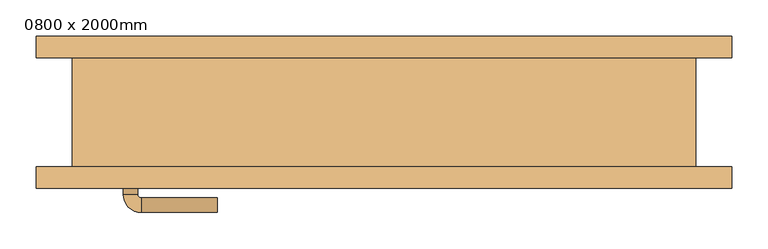
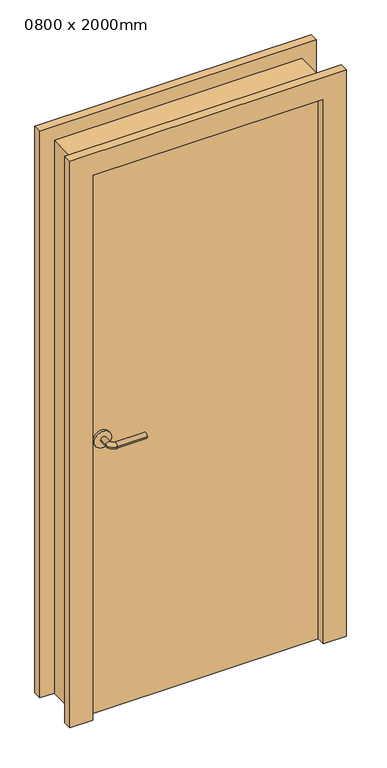
"""IFC4 building model written with IfcOpenShell, lengths in millimetres: door geometry, 0800 x 2000mm."""

from ifc_helpers import new_model, si_unit, point, frame, frame_2d, origin, origin_with_axes, place, context, project, spatial, polyline, circle_curve, ellipse_curve, trimmed, segment, composite_curve, outline, extrude, faceted_brep, source, transform, mapped, element, save
from ifc_brep_helpers import plane_surface, cylinder_surface, revolved_surface, advanced_brep


def door_0800_x_2000mm_4f2fbd44(model_context):
    return source(origin(), model_context, "Body", "SolidModel", [
        advanced_brep(
        [(-360.0, -47.0, 1000.0), (-340.0, -47.0, 1000.0), (-360.0, -17.0, 1000.0), (-340.0, -17.0, 1000.0), (-335.0, -12.0, 1000.0), (-335.0, 8.0, 1000.0), (-230.0, 8.0, 1000.0), (-230.0, -12.0, 1000.0)],
        [
            (0, 1, circle_curve(frame((-350.0, -47.0, 1000.0), z_axis=(0.0, -1.0, 0.0), x_axis=(0.9999999999999986, 0.0, 0.0)), 10.0)),
            (1, 0, circle_curve(frame((-350.0, -47.0, 1000.0), z_axis=(0.0, -1.0, 0.0), x_axis=(0.9999999999999986, 0.0, 0.0)), 10.0)),
            (0, 2),
            (2, 3, circle_curve(frame((-350.0, -17.0, 1000.0), z_axis=(0.0, -1.0, 0.0), x_axis=(0.9999999999999986, 0.0, 0.0)), 10.0)),
            (3, 1),
            (3, 2, circle_curve(frame((-350.0, -17.0, 1000.0), z_axis=(0.0, -1.0, 0.0), x_axis=(0.9999999999999986, 0.0, 0.0)), 10.0)),
            (4, 3, circle_curve(frame((-335.0, -17.0, 1000.0), z_axis=(0.0, 0.0, 1.0), x_axis=(-0.9999999999999986, 0.0, 0.0)), 5.0)),
            (2, 5, circle_curve(frame((-335.0, -17.0, 1000.0), z_axis=(0.0, 0.0, -1.0), x_axis=(-0.9999999999999986, 0.0, 0.0)), 25.0)),
            (5, 4, circle_curve(frame((-335.0, -2.0, 1000.0), z_axis=(-0.9999999999999986, 0.0, 0.0), x_axis=(0.0, -0.9999999999999986, 0.0)), 10.0)),
            (4, 5, circle_curve(frame((-335.0, -2.0, 1000.0), z_axis=(-0.9999999999999986, 0.0, 0.0), x_axis=(0.0, -0.9999999999999986, 0.0)), 10.0)),
            (6, 7, circle_curve(frame((-230.0, -2.0, 1000.0), z_axis=(1.0, 0.0, 0.0), x_axis=(0.0, -0.9999999999999986, 0.0)), 10.0)),
            (7, 6, circle_curve(frame((-230.0, -2.0, 1000.0), z_axis=(1.0, 0.0, 0.0), x_axis=(0.0, -0.9999999999999986, 0.0)), 10.0)),
            (5, 6),
            (7, 4),
        ],
        [
            plane_surface(frame((-350.0, -47.0, 1000.0), z_axis=(0.0, -1.0, 0.0), x_axis=(0.0, 0.0, 1.0))),
            cylinder_surface(frame((-350.0, -47.0, 1000.0), z_axis=(0.0, -0.9999999999999986, 0.0), x_axis=(0.9999999999999986, 0.0, 0.0)), 10.0),
            revolved_surface(trimmed(ellipse_curve(frame((-350.0, -17.0, 1000.0), z_axis=(0.0, -0.9999999999999986, 0.0), x_axis=(0.9999999999999986, 0.0, 0.0)), 10.0, 10.0), [point((-360.0, -17.0, 1000.0))], [point((-340.0, -17.0, 1000.0))], True, "CARTESIAN"), (-335.0, -17.0, 1000.0), (0.0, 0.0, -1.0)),
            revolved_surface(trimmed(ellipse_curve(frame((-350.0, -17.0, 1000.0), z_axis=(0.0, -0.9999999999999986, 0.0), x_axis=(0.9999999999999986, 0.0, 0.0)), 10.0, 10.0), [point((-340.0, -17.0, 1000.0))], [point((-360.0, -17.0, 1000.0))], True, "CARTESIAN"), (-335.0, -17.0, 1000.0), (0.0, 0.0, -1.0)),
            plane_surface(frame((-230.0, -2.0, 1000.0), z_axis=(1.0, 0.0, 0.0), x_axis=(0.0, 0.0, 1.0))),
            cylinder_surface(frame((-335.0, -2.0, 1000.0), z_axis=(-0.9999999999999986, 0.0, 0.0), x_axis=(0.0, -0.9999999999999986, 0.0)), 10.0),
        ],
        [
            (0, [[1, 2]]),
            (1, [[-1, 3, 4, 5]]),
            (1, [[-2, -5, 6, -3]]),
            (2, [[7, -4, 8, 9]]),
            (3, [[-8, -6, -7, 10]]),
            (4, [[11, 12]]),
            (5, [[-9, 13, -12, 14]]),
            (5, [[-10, -14, -11, -13]]),
        ],
    ),
        extrude(outline(composite_curve([segment(trimmed(circle_curve(frame_2d((1000.0, -352.5)), 30.0), [point((1000.0, -382.5))], [point((1000.0, -322.5))], False, "CARTESIAN"), True, "CONTINUOUS"), segment(trimmed(circle_curve(frame_2d((1000.0, -352.5)), 30.0), [point((1000.0, -322.5))], [point((1000.0, -382.5))], False, "CARTESIAN"), True, "CONTINUOUS")], self_intersect=False)), frame((0.0, -55.0, 0.0), z_axis=(0.0, 1.0, 0.0), x_axis=(0.0, 0.0, 1.0)), (0.0, 0.0, 1.0), 8.0),
        advanced_brep(
        [(-360.0, -83.0, 1000.0), (-340.0, -83.0, 1000.0), (-340.0, -113.0, 1000.0), (-360.0, -113.0, 1000.0), (-335.0, -118.0, 1000.0), (-335.0, -138.0, 1000.0), (-230.0, -138.0, 1000.0), (-230.0, -118.0, 1000.0)],
        [
            (0, 1, circle_curve(frame((-350.0, -83.0, 1000.0), z_axis=(0.0, 1.0, 0.0), x_axis=(0.9999999999999992, 0.0, 0.0)), 10.0)),
            (1, 0, circle_curve(frame((-350.0, -83.0, 1000.0), z_axis=(0.0, 1.0, 0.0), x_axis=(0.9999999999999992, 0.0, 0.0)), 10.0)),
            (1, 2),
            (2, 3, circle_curve(frame((-350.0, -113.0, 1000.0), z_axis=(0.0, 1.0, 0.0), x_axis=(0.9999999999999992, 0.0, 0.0)), 10.0)),
            (3, 0),
            (3, 2, circle_curve(frame((-350.0, -113.0, 1000.0), z_axis=(0.0, 1.0, 0.0), x_axis=(0.9999999999999992, 0.0, 0.0)), 10.0)),
            (4, 5, circle_curve(frame((-335.0, -128.0, 1000.0), z_axis=(-0.9999999999999992, 0.0, 0.0), x_axis=(0.0, 0.9999999999999992, 0.0)), 10.0)),
            (5, 3, circle_curve(frame((-335.0, -113.0, 1000.0), z_axis=(0.0, 0.0, -1.0), x_axis=(-0.9999999999999992, 0.0, 0.0)), 25.0)),
            (2, 4, circle_curve(frame((-335.0, -113.0, 1000.0), z_axis=(0.0, 0.0, 1.0), x_axis=(-0.9999999999999992, 0.0, 0.0)), 5.0)),
            (5, 4, circle_curve(frame((-335.0, -128.0, 1000.0), z_axis=(-0.9999999999999992, 0.0, 0.0), x_axis=(0.0, 0.9999999999999992, 0.0)), 10.0)),
            (6, 7, circle_curve(frame((-230.0, -128.0, 1000.0), z_axis=(1.0, 0.0, 0.0), x_axis=(0.0, 0.9999999999999992, 0.0)), 10.0)),
            (7, 6, circle_curve(frame((-230.0, -128.0, 1000.0), z_axis=(1.0, 0.0, 0.0), x_axis=(0.0, 0.9999999999999992, 0.0)), 10.0)),
            (4, 7),
            (6, 5),
        ],
        [
            plane_surface(frame((-350.0, -83.0, 1000.0), z_axis=(0.0, 1.0, 0.0), x_axis=(0.0, 0.0, 1.0))),
            cylinder_surface(frame((-350.0, -83.0, 1000.0), z_axis=(0.0, 0.9999999999999992, 0.0), x_axis=(0.9999999999999992, 0.0, 0.0)), 10.0),
            revolved_surface(trimmed(ellipse_curve(frame((-350.0, -113.0, 1000.0), z_axis=(0.0, -0.9999999999999992, 0.0), x_axis=(0.9999999999999992, 0.0, 0.0)), 10.0, 10.0), [point((-360.0, -113.0, 1000.0))], [point((-340.0, -113.0, 1000.0))], True, "CARTESIAN"), (-335.0, -113.0, 1000.0), (0.0, 0.0, -1.0)),
            revolved_surface(trimmed(ellipse_curve(frame((-350.0, -113.0, 1000.0), z_axis=(0.0, -0.9999999999999992, 0.0), x_axis=(0.9999999999999992, 0.0, 0.0)), 10.0, 10.0), [point((-340.0, -113.0, 1000.0))], [point((-360.0, -113.0, 1000.0))], True, "CARTESIAN"), (-335.0, -113.0, 1000.0), (0.0, 0.0, -1.0)),
            plane_surface(frame((-230.0, -128.0, 1000.0), z_axis=(1.0, 0.0, 0.0), x_axis=(0.0, 0.0, 1.0))),
            cylinder_surface(frame((-335.0, -128.0, 1000.0), z_axis=(-0.9999999999999992, 0.0, 0.0), x_axis=(0.0, 0.9999999999999992, 0.0)), 10.0),
        ],
        [
            (0, [[1, 2]]),
            (1, [[3, 4, 5, -2]]),
            (1, [[-5, 6, -3, -1]]),
            (2, [[7, 8, -4, 9]]),
            (3, [[10, -9, -6, -8]]),
            (4, [[11, 12]]),
            (5, [[13, -11, 14, -7]]),
            (5, [[-14, -12, -13, -10]]),
        ],
    ),
        extrude(outline(composite_curve([segment(trimmed(circle_curve(frame_2d((1000.0, -352.5)), 30.0), [point((1000.0, -382.5))], [point((1000.0, -322.5))], False, "CARTESIAN"), True, "CONTINUOUS"), segment(trimmed(circle_curve(frame_2d((1000.0, -352.5)), 30.0), [point((1000.0, -322.5))], [point((1000.0, -382.5))], False, "CARTESIAN"), True, "CONTINUOUS")], self_intersect=False)), frame((0.0, -83.0, 0.0), z_axis=(0.0, 1.0, 0.0), x_axis=(0.0, 0.0, 1.0)), (0.0, 0.0, 1.0), 8.0),
        faceted_brep([(-430.0, -75.0, 0.0), (-430.0, 75.0, 0.0), (-480.0, 75.0, 0.0), (-480.0, 105.0, 0.0), (-400.0, 105.0, 0.0), (-400.0, -105.0, 0.0), (-480.0, -105.0, 0.0), (-480.0, -75.0, 0.0), (-480.0, -75.0, 2080.0), (480.0, -75.0, 2080.0), (480.0, -75.0, 0.0), (430.0, -75.0, 0.0), (430.0, -75.0, 2030.0), (-430.0, -75.0, 2030.0), (-480.0, -105.0, 2080.0), (-400.0, -105.0, 2000.0), (400.0, -105.0, 2000.0), (400.0, -105.0, 0.0), (480.0, -105.0, 0.0), (480.0, -105.0, 2080.0), (-400.0, 105.0, 2000.0), (-480.0, 105.0, 2080.0), (480.0, 105.0, 2080.0), (480.0, 105.0, 0.0), (400.0, 105.0, 0.0), (400.0, 105.0, 2000.0), (-480.0, 75.0, 2080.0), (-430.0, 75.0, 2030.0), (430.0, 75.0, 2030.0), (430.0, 75.0, 0.0), (480.0, 75.0, 0.0), (480.0, 75.0, 2080.0)], [[[0, 1, 2, 3, 4, 5, 6, 7]], [[7, 8, 9, 10, 11, 12, 13, 0]], [[6, 14, 8, 7]], [[5, 15, 16, 17, 18, 19, 14, 6]], [[4, 20, 15, 5]], [[3, 21, 22, 23, 24, 25, 20, 4]], [[2, 26, 21, 3]], [[1, 27, 28, 29, 30, 31, 26, 2]], [[0, 13, 27, 1]], [[12, 11, 29, 28]], [[11, 10, 18, 17, 24, 23, 30, 29]], [[19, 18, 10, 9]], [[25, 24, 17, 16]], [[31, 30, 23, 22]], [[14, 19, 9, 8]], [[20, 25, 16, 15]], [[26, 31, 22, 21]], [[13, 12, 28, 27]]]),
        extrude(outline(polyline([(-400.0, -75.0), (-400.0, -55.0), (400.0, -55.0), (400.0, -75.0), (-400.0, -75.0)])), origin_with_axes(), (0.0, 0.0, 1.0), 2000.0),
    ])


if __name__ == "__main__":
    model = new_model("IFC4")
    model_context = context("Model", 3, world=origin())
    ifc_project = project(units=[si_unit("LENGTHUNIT", "METRE", prefix="MILLI")], contexts=[model_context])
    site = spatial("IfcSite", under=ifc_project)
    building = spatial("IfcBuilding", under=site)
    placement = place(None, origin())
    door_0800_x_2000mm_shape = door_0800_x_2000mm_4f2fbd44(model_context)
    element("IfcDoor", 1, ObjectType="0800 x 2000mm", at=placement, inside=building, context=model_context, shape_type="MappedRepresentation", body=[
        mapped(door_0800_x_2000mm_shape, transform((0.0, 0.0, 0.0), x_axis=(1.0, 0.0, 0.0), y_axis=(0.0, 1.0, 0.0), z_axis=(0.0, 0.0, 1.0))),
    ])
    save(model, "model.ifc")
